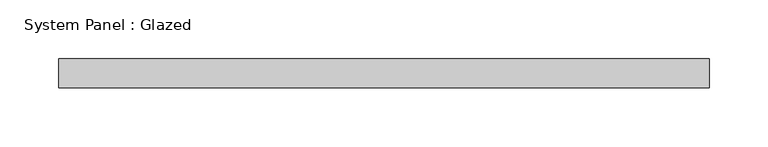
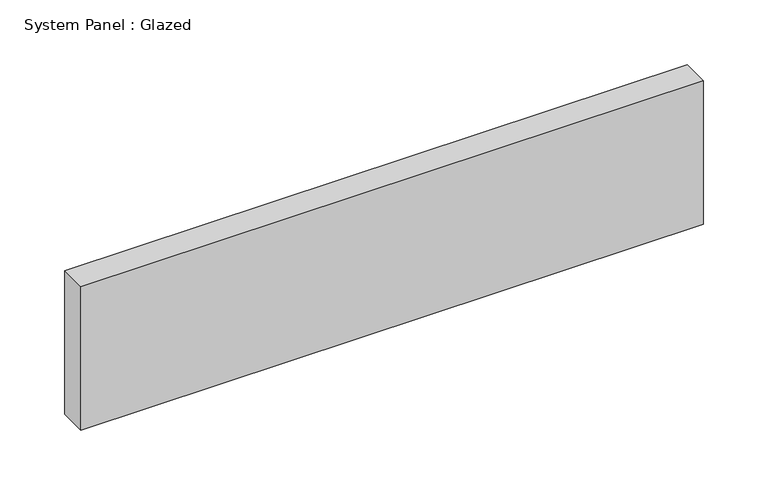
"""IFC4 building model written with IfcOpenShell, lengths in millimetres: plate geometry, System Panel : Glazed."""

from ifc_helpers import new_model, si_unit, origin, origin_with_axes, place, context, project, spatial, polyline, outline, extrude, source, transform, mapped, element, save


def system_panel_glazed_bbd0f940(model_context):
    return source(origin(), model_context, "Body", "SweptSolid", [
        extrude(outline(polyline([(277.5, -49.5), (-277.5, -49.5), (-277.5, -24.5), (277.5, -24.5), (277.5, -49.5)])), origin_with_axes(), (0.0, 0.0, 1.0), 135.0),
    ])


if __name__ == "__main__":
    model = new_model("IFC4")
    model_context = context("Model", 3, world=origin())
    ifc_project = project(units=[si_unit("LENGTHUNIT", "METRE", prefix="MILLI")], contexts=[model_context])
    site = spatial("IfcSite", under=ifc_project)
    building = spatial("IfcBuilding", under=site)
    placement = place(None, origin())
    system_panel_glazed_shape = system_panel_glazed_bbd0f940(model_context)
    element("IfcPlate", 1, ObjectType="System Panel : Glazed", at=placement, inside=building, context=model_context, shape_type="MappedRepresentation", body=[
        mapped(system_panel_glazed_shape, transform((0.0, 0.0, 0.0), x_axis=(1.0, 0.0, 0.0), y_axis=(0.0, 1.0, 0.0), z_axis=(0.0, 0.0, 1.0))),
    ])
    save(model, "model.ifc")
